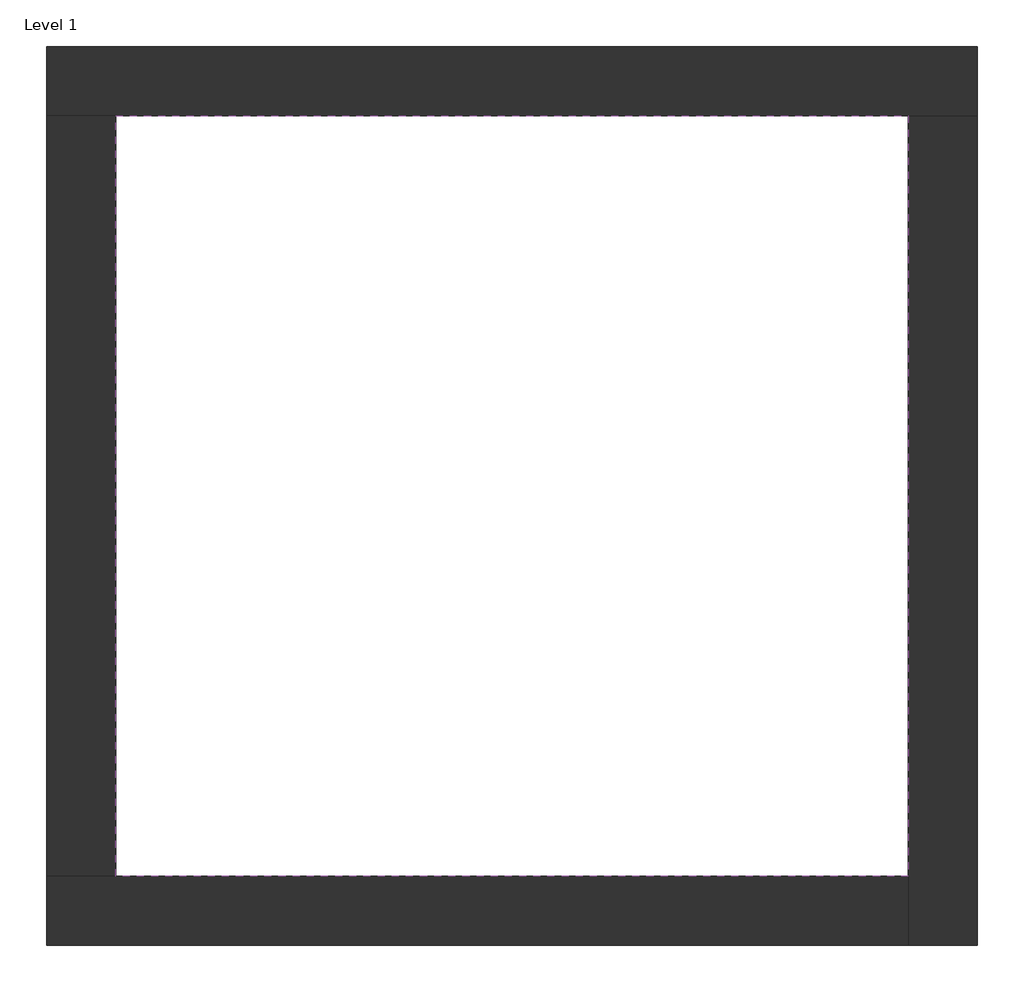
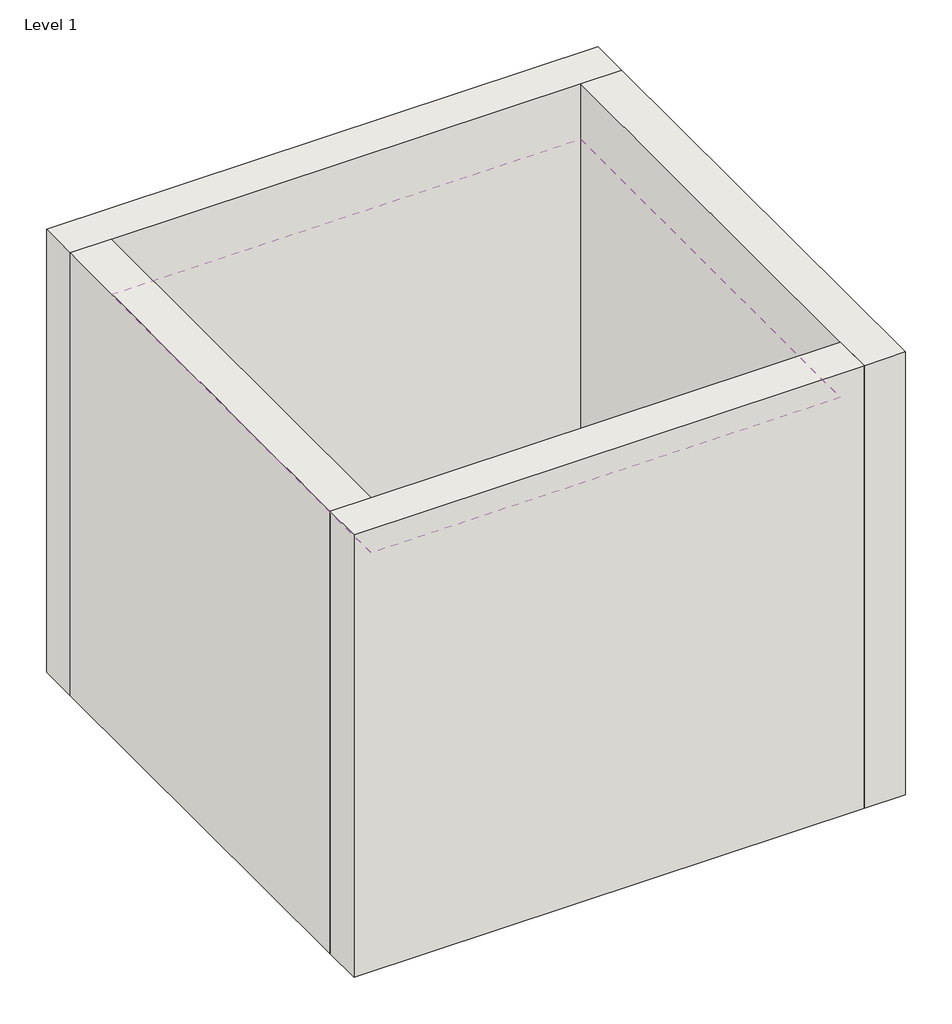
# One storey: 4 walls, 1 covering.
"""IFC4 building model written with IfcOpenShell, lengths in millimetres."""

from ifc_helpers import new_model, si_unit, frame, origin, origin_with_axes, place, context, project, spatial, polyline, outline, extrude, faceted_brep, element, save

model = new_model("IFC4")

# Units and contexts
model_context = context("Model", 3, world=origin())
ifc_project = project(units=[si_unit("LENGTHUNIT", "METRE", prefix="MILLI")], contexts=[model_context])

# Site, building, storey
site = spatial("IfcSite", under=ifc_project)
building = spatial("IfcBuilding", under=site)
storey = spatial("IfcBuildingStorey", under=building, Name="Level 1", Elevation=0.0)

# Covering
placement = place(None, origin())
element("IfcCovering", 1, ObjectType="CAP. 6 - SiB 01 - PLAFON", at=placement, inside=storey, context=model_context, shape_type="SweptSolid", body=[
    extrude(outline(polyline([(-14894.8573003, 6921.2750283), (-10882.3573003, 6921.2750283), (-10882.3573003, 3071.2750283), (-14894.8573003, 3071.2750283), (-14894.8573003, 6921.2750283)])), frame((0.0, 0.0, 3500.0), z_axis=(0.0, 0.0, 1.0), x_axis=(1.0, 0.0, 0.0)), (0.0, 0.0, 1.0), 62.7),
])

# Walls
element("IfcWall", 2, ObjectType="Exterior - Brick on Mtl. Stud", at=placement, inside=storey, context=model_context, shape_type="Brep", body=[
    faceted_brep([(-15244.8573003, 6921.2750283, 0.0), (-14894.8573003, 6921.2750283, 0.0), (-10882.3573003, 6921.2750283, 0.0), (-10532.3573003, 6921.2750283, 0.0), (-10532.3573003, 6921.2750283, 4000.0), (-10882.3573003, 6921.2750283, 4000.0), (-14894.8573003, 6921.2750283, 4000.0), (-15244.8573003, 6921.2750283, 4000.0), (-15244.8573003, 7271.2750283, 0.0), (-15244.8573003, 7271.2750283, 4000.0), (-10532.3573003, 7271.2750283, 4000.0), (-10532.3573003, 7271.2750283, 0.0)], [[[0, 1, 2, 3, 4, 5, 6, 7]], [[8, 9, 10, 11]], [[3, 2, 1, 0, 8, 11]], [[7, 6, 5, 4, 10, 9]], [[0, 7, 9, 8]], [[4, 3, 11, 10]]]),
])
element("IfcWall", 3, ObjectType="Exterior - Brick on Mtl. Stud", at=placement, inside=storey, context=model_context, shape_type="Brep", body=[
    faceted_brep([(-10882.3573003, 6921.2750283, 0.0), (-10882.3573003, 3071.2750283, 0.0), (-10882.3573003, 2721.2750283, 0.0), (-10882.3573003, 2721.2750283, 4000.0), (-10882.3573003, 3071.2750283, 4000.0), (-10882.3573003, 6921.2750283, 4000.0), (-10532.3573003, 6921.2750283, 0.0), (-10532.3573003, 6921.2750283, 4000.0), (-10532.3573003, 2721.2750283, 4000.0), (-10532.3573003, 2721.2750283, 0.0)], [[[0, 1, 2, 3, 4, 5]], [[6, 7, 8, 9]], [[2, 1, 0, 6, 9]], [[5, 4, 3, 8, 7]], [[3, 2, 9, 8]], [[0, 5, 7, 6]]]),
])
element("IfcWall", 4, ObjectType="Exterior - Brick on Mtl. Stud", at=placement, inside=storey, context=model_context, shape_type="Brep", body=[
    faceted_brep([(-10882.3573003, 3071.2750283, 0.0), (-14894.8573003, 3071.2750283, 0.0), (-15244.8573003, 3071.2750283, 0.0), (-15244.8573003, 3071.2750283, 4000.0), (-14894.8573003, 3071.2750283, 4000.0), (-10882.3573003, 3071.2750283, 4000.0), (-10882.3573003, 2721.2750283, 0.0), (-10882.3573003, 2721.2750283, 4000.0), (-15244.8573003, 2721.2750283, 4000.0), (-15244.8573003, 2721.2750283, 0.0)], [[[0, 1, 2, 3, 4, 5]], [[6, 7, 8, 9]], [[2, 1, 0, 6, 9]], [[5, 4, 3, 8, 7]], [[3, 2, 9, 8]], [[0, 5, 7, 6]]]),
])
element("IfcWall", 5, ObjectType="Exterior - Brick on Mtl. Stud", at=placement, inside=storey, context=model_context, shape_type="SweptSolid", body=[
    extrude(outline(polyline([(-14894.8573003, 6921.2750283), (-14894.8573003, 3071.2750283), (-15244.8573003, 3071.2750283), (-15244.8573003, 6921.2750283), (-14894.8573003, 6921.2750283)])), origin_with_axes(), (0.0, 0.0, 1.0), 4000.0),
])

save(model, "model.ifc")
